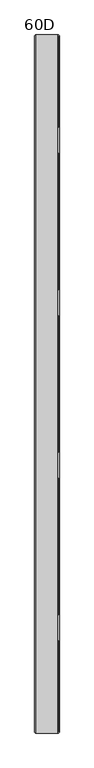
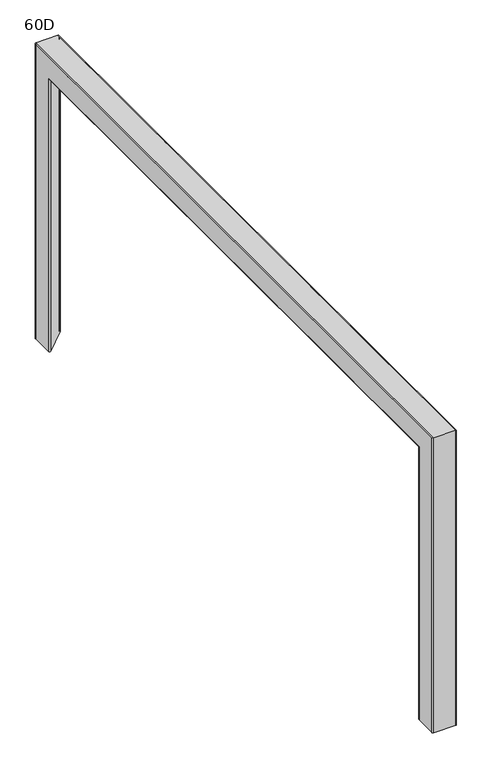
"""IFC4 building model written with IfcOpenShell, lengths in millimetres: furniture geometry, 60D."""

from ifc_helpers import new_model, si_unit, frame, origin, place, context, project, spatial, polyline, circle_curve, ellipse_curve, source, transform, mapped, element, save
from ifc_brep_helpers import plane_surface, cylinder_surface, revolved_surface, advanced_brep


def furniture_60d_dfab2e83(model_context):
    return source(origin(), model_context, "Body", "AdvancedBrep", [
        advanced_brep(
        [(-26.5, -701.2590518, 11.0), (-21.926821, -699.364779, 11.0), (25.721221, -747.012821, 11.0), (23.8269482, -751.586, 11.0), (-23.8210938, -751.586, 11.0), (-26.5, -748.9070938, 11.0), (-24.515625, -701.2590518, 11.0), (-24.515625, -748.9070938, 11.0), (-23.8210938, -749.601625, 11.0), (23.8269482, -749.601625, 11.0), (24.318056, -748.415986, 11.0), (-23.329986, -700.767944, 11.0), (-26.5, -701.2590518, 641.8230518), (-21.926821, -699.364779, 639.928779), (25.721221, -747.012821, 687.576821), (23.8269482, -751.586, 692.15), (-23.8210938, -751.586, 692.15), (-26.5, -748.9070938, 689.4710937), (-26.5, 748.9070937, 689.4710937), (-26.5, 748.9070937, 11.0), (-26.5, 701.2590518, 11.0), (-26.5, 701.2590518, 641.8230518), (-24.515625, -701.2590518, 641.8230518), (-24.515625, 701.2590518, 641.8230518), (-24.515625, 701.2590518, 11.0), (-24.515625, 748.9070937, 11.0), (-24.515625, 748.9070937, 689.4710937), (-24.515625, -748.9070938, 689.4710937), (-23.8210938, -749.601625, 690.165625), (23.8269482, -749.601625, 690.165625), (24.318056, -748.415986, 688.979986), (-23.329986, -700.767944, 641.331944), (-21.926821, 699.364779, 639.928779), (25.721221, 747.012821, 687.576821), (25.721221, 552.7456, 687.576821), (-13.9672583, 552.7456, 647.8883417), (-15.9118019, 552.0087397, 645.9437981), (-17.3353067, 549.9956, 644.5202933), (-17.8563456, 547.2456, 643.9992544), (-17.8563456, 502.7456, 643.9992544), (-17.3353067, 499.9956, 644.5202933), (-15.9118019, 497.9824603, 645.9437981), (-13.9672583, 497.2456, 647.8883417), (25.721221, 497.2456, 687.576821), (25.721221, 202.75, 687.576821), (-13.9672583, 202.75, 647.8883417), (-15.9118019, 202.0131397, 645.9437981), (-17.3353067, 200.0, 644.5202933), (-17.8563456, 197.25, 643.9992544), (-17.8563456, 152.75, 643.9992544), (-17.3353067, 150.0, 644.5202933), (-15.9118019, 147.9868603, 645.9437981), (-13.9672583, 147.25, 647.8883417), (25.721221, 147.25, 687.576821), (25.721221, -147.25, 687.576821), (-13.9672583, -147.25, 647.8883417), (-15.9118019, -147.9868603, 645.9437981), (-17.3353067, -150.0, 644.5202933), (-17.8563456, -152.75, 643.9992544), (-17.8563456, -197.25, 643.9992544), (-17.3353067, -200.0, 644.5202933), (-15.9118019, -202.0131397, 645.9437981), (-14.6269979, -202.5, 647.2286021), (25.721221, -202.5, 687.576821), (25.721221, -497.2456, 687.576821), (-13.9672583, -497.2456, 647.8883417), (-15.9118019, -497.9824603, 645.9437981), (-17.3353067, -499.9956, 644.5202933), (-17.8563456, -502.7456, 643.9992544), (-17.8563456, -547.2456, 643.9992544), (-17.3353067, -549.9956, 644.5202933), (-15.9118019, -552.0087397, 645.9437981), (-13.9672583, -552.7456, 647.8883417), (25.721221, -552.7456, 687.576821), (26.4615873, -552.7456, 689.9560841), (26.4615873, -497.2456, 689.9560841), (26.4680571, -202.5, 689.9195159), (26.4680571, -147.25, 689.9195159), (26.4680571, 147.25, 689.9195159), (26.4680571, 202.75, 689.9195159), (26.4680571, 497.2456, 689.9195159), (26.4680571, 552.7456, 689.9195159), (23.8269482, 751.586, 692.15), (-23.8210938, 751.586, 692.15), (-23.8210938, 749.601625, 690.165625), (23.8269482, 749.601625, 690.165625), (24.318056, 748.415986, 688.979986), (24.318056, 552.7456, 688.979986), (24.3573171, 552.7456, 689.9195159), (24.3573171, 497.2456, 689.9195159), (24.318056, 497.2456, 688.979986), (24.318056, 202.75, 688.979986), (24.3573171, 202.75, 689.9195159), (24.3573171, 147.25, 689.9195159), (24.318056, 147.25, 688.979986), (24.318056, -147.25, 688.979986), (24.3573171, -147.25, 689.9195159), (24.3573171, -202.5, 689.9195159), (24.318056, -202.5, 688.979986), (24.318056, -497.2456, 688.979986), (24.3240981, -497.2456, 689.9560841), (24.3240981, -552.7456, 689.9560841), (24.318056, -552.7456, 688.979986), (-16.7735883, -552.7456, 647.8883417), (-18.718132, -552.0087397, 645.9437981), (-20.1416367, -549.9956, 644.5202933), (-20.6626756, -547.2456, 643.9992544), (-20.6626756, -502.7456, 643.9992544), (-20.1416367, -499.9956, 644.5202933), (-18.718132, -497.9824603, 645.9437981), (-16.7735883, -497.2456, 647.8883417), (-17.4333279, -202.5, 647.2286021), (-18.718132, -202.0131397, 645.9437981), (-20.1416367, -200.0, 644.5202933), (-20.6626756, -197.25, 643.9992544), (-20.6626756, -152.75, 643.9992544), (-20.1416367, -150.0, 644.5202933), (-18.718132, -147.9868603, 645.9437981), (-16.7735883, -147.25, 647.8883417), (-16.7735883, 147.25, 647.8883417), (-18.718132, 147.9868603, 645.9437981), (-20.1416367, 150.0, 644.5202933), (-20.6626756, 152.75, 643.9992544), (-20.6626756, 197.25, 643.9992544), (-20.1416367, 200.0, 644.5202933), (-18.718132, 202.0131397, 645.9437981), (-16.7735883, 202.75, 647.8883417), (-16.7735883, 497.2456, 647.8883417), (-18.718132, 497.9824603, 645.9437981), (-20.1416367, 499.9956, 644.5202933), (-20.6626756, 502.7456, 643.9992544), (-20.6626756, 547.2456, 643.9992544), (-20.1416367, 549.9956, 644.5202933), (-18.718132, 552.0087397, 645.9437981), (-16.7735883, 552.7456, 647.8883417), (-23.329986, 700.767944, 641.331944), (-23.8210938, 751.586, 11.0), (23.8269482, 751.586, 11.0), (25.721221, 747.012821, 11.0), (-21.926821, 699.364779, 11.0), (-23.329986, 700.767944, 11.0), (24.318056, 748.415986, 11.0), (23.8269482, 749.601625, 11.0), (-23.8210938, 749.601625, 11.0)],
        [
            (0, 1, circle_curve(frame((-23.8210938, -701.2590518, 11.0), z_axis=(0.0, 0.0, -1.0), x_axis=(0.0, 1.0, 0.0)), 2.6789063)),
            (1, 2),
            (2, 3, circle_curve(frame((23.8269482, -748.9070938, 11.0), z_axis=(0.0, 0.0, -1.0), x_axis=(0.0, 1.0, 0.0)), 2.6789063)),
            (3, 4),
            (4, 5, circle_curve(frame((-23.8210938, -748.9070938, 11.0), z_axis=(0.0, 0.0, -1.0), x_axis=(0.0, 1.0, 0.0)), 2.6789063)),
            (5, 0),
            (6, 7),
            (7, 8, circle_curve(frame((-23.8210938, -748.9070938, 11.0), z_axis=(0.0, 0.0, 1.0), x_axis=(0.0, 1.0, 0.0)), 0.6945312)),
            (8, 9),
            (9, 10, circle_curve(frame((23.8269482, -748.9070938, 11.0), z_axis=(0.0, 0.0, 1.0), x_axis=(0.0, 1.0, 0.0)), 0.6945313)),
            (10, 11),
            (11, 6, circle_curve(frame((-23.8210938, -701.2590518, 11.0), z_axis=(0.0, 0.0, 1.0), x_axis=(0.0, 1.0, 0.0)), 0.6945312)),
            (0, 12),
            (12, 13, ellipse_curve(frame((-23.8210938, -701.2590518, 641.8230518), z_axis=(0.0, -0.7071067811865475, -0.7071067811865475), x_axis=(0.0, 0.7071067811865474, -0.7071067811865476)), 3.7885456, 2.6789063)),
            (13, 1),
            (13, 14),
            (14, 2),
            (14, 15, ellipse_curve(frame((23.8269482, -748.9070938, 689.4710937), z_axis=(0.0, -0.7071067811865475, -0.7071067811865475), x_axis=(0.0, 0.7071067811865474, -0.7071067811865476)), 3.7885456, 2.6789063)),
            (15, 3),
            (15, 16),
            (16, 4),
            (16, 17, ellipse_curve(frame((-23.8210938, -748.9070938, 689.4710937), z_axis=(0.0, -0.7071067811865475, -0.7071067811865475), x_axis=(0.0, 0.7071067811865474, -0.7071067811865476)), 3.7885456, 2.6789063)),
            (17, 5),
            (17, 18),
            (18, 19),
            (19, 20),
            (20, 21),
            (21, 12),
            (6, 22),
            (22, 23),
            (23, 24),
            (24, 25),
            (25, 26),
            (26, 27),
            (27, 7),
            (27, 28, ellipse_curve(frame((-23.8210938, -748.9070938, 689.4710937), z_axis=(0.0, 0.7071067811865475, 0.7071067811865475), x_axis=(0.0, -0.7071067811865474, 0.7071067811865476)), 0.9822155, 0.6945312)),
            (28, 8),
            (28, 29),
            (29, 9),
            (29, 30, ellipse_curve(frame((23.8269482, -748.9070938, 689.4710937), z_axis=(0.0, 0.7071067811865475, 0.7071067811865475), x_axis=(0.0, -0.7071067811865474, 0.7071067811865476)), 0.9822155, 0.6945312)),
            (30, 10),
            (30, 31),
            (31, 11),
            (31, 22, ellipse_curve(frame((-23.8210938, -701.2590518, 641.8230518), z_axis=(0.0, 0.7071067811865475, 0.7071067811865475), x_axis=(0.0, -0.7071067811865474, 0.7071067811865476)), 0.9822155, 0.6945312)),
            (21, 32, ellipse_curve(frame((-23.8210938, 701.2590518, 641.8230518), z_axis=(0.0, -0.7071067811865475, 0.7071067811865475), x_axis=(0.0, -0.7071067811865476, -0.7071067811865474)), 3.7885456, 2.6789063)),
            (32, 13),
            (32, 33),
            (33, 34),
            (34, 35),
            (35, 36),
            (36, 37),
            (37, 38),
            (38, 39),
            (39, 40),
            (40, 41),
            (41, 42),
            (42, 43),
            (43, 44),
            (44, 45),
            (45, 46),
            (46, 47),
            (47, 48),
            (48, 49),
            (49, 50),
            (50, 51),
            (51, 52),
            (52, 53),
            (53, 54),
            (54, 55),
            (55, 56),
            (56, 57),
            (57, 58),
            (58, 59),
            (59, 60),
            (60, 61),
            (61, 62),
            (62, 63),
            (63, 64),
            (64, 65),
            (65, 66),
            (66, 67),
            (67, 68),
            (68, 69),
            (69, 70),
            (70, 71),
            (71, 72),
            (72, 73),
            (73, 14),
            (73, 74, circle_curve(frame((23.8269482, -552.7456, 689.4710937), z_axis=(0.0, -1.0, 0.0), x_axis=(0.0, 0.0, -1.0)), 2.6789063)),
            (74, 75),
            (75, 64, circle_curve(frame((23.8269482, -497.2456, 689.4710937), z_axis=(0.0, 1.0, 0.0), x_axis=(0.0, 0.0, -1.0)), 2.6789063)),
            (63, 76, circle_curve(frame((23.8269482, -202.5, 689.4710937), z_axis=(0.0, -1.0, 0.0), x_axis=(0.0, 0.0, -1.0)), 2.6789063)),
            (76, 77),
            (77, 54, circle_curve(frame((23.8269482, -147.25, 689.4710937), z_axis=(0.0, 1.0, 0.0), x_axis=(0.0, 0.0, -1.0)), 2.6789063)),
            (53, 78, circle_curve(frame((23.8269482, 147.25, 689.4710937), z_axis=(0.0, -1.0, 0.0), x_axis=(0.0, 0.0, -1.0)), 2.6789063)),
            (78, 79),
            (79, 44, circle_curve(frame((23.8269482, 202.75, 689.4710937), z_axis=(0.0, 1.0, 0.0), x_axis=(0.0, 0.0, -1.0)), 2.6789063)),
            (43, 80, circle_curve(frame((23.8269482, 497.2456, 689.4710937), z_axis=(0.0, -1.0, 0.0), x_axis=(0.0, 0.0, -1.0)), 2.6789063)),
            (80, 81),
            (81, 34, circle_curve(frame((23.8269482, 552.7456, 689.4710937), z_axis=(0.0, 1.0, 0.0), x_axis=(0.0, 0.0, -1.0)), 2.6789062)),
            (33, 82, ellipse_curve(frame((23.8269482, 748.9070937, 689.4710937), z_axis=(0.0, -0.7071067811865475, 0.7071067811865475), x_axis=(0.0, -0.7071067811865476, -0.7071067811865474)), 3.7885456, 2.6789063)),
            (82, 15),
            (82, 83),
            (83, 16),
            (83, 18, ellipse_curve(frame((-23.8210938, 748.9070937, 689.4710937), z_axis=(0.0, -0.7071067811865475, 0.7071067811865475), x_axis=(0.0, -0.7071067811865476, -0.7071067811865474)), 3.7885456, 2.6789063)),
            (26, 84, ellipse_curve(frame((-23.8210938, 748.9070937, 689.4710937), z_axis=(0.0, 0.7071067811865475, -0.7071067811865475), x_axis=(0.0, 0.7071067811865476, 0.7071067811865474)), 0.9822155, 0.6945312)),
            (84, 28),
            (84, 85),
            (85, 29),
            (85, 86, ellipse_curve(frame((23.8269482, 748.9070937, 689.4710937), z_axis=(0.0, 0.7071067811865475, -0.7071067811865475), x_axis=(0.0, 0.7071067811865476, 0.7071067811865474)), 0.9822155, 0.6945312)),
            (86, 87),
            (87, 88, circle_curve(frame((23.8269482, 552.7456, 689.4710937), z_axis=(0.0, -1.0, 0.0), x_axis=(0.0, 0.0, -1.0)), 0.6945312)),
            (88, 89),
            (89, 90, circle_curve(frame((23.8269482, 497.2456, 689.4710937), z_axis=(0.0, 1.0, 0.0), x_axis=(0.0, 0.0, -1.0)), 0.6945312)),
            (90, 91),
            (91, 92, circle_curve(frame((23.8269482, 202.75, 689.4710937), z_axis=(0.0, -1.0, 0.0), x_axis=(0.0, 0.0, -1.0)), 0.6945312)),
            (92, 93),
            (93, 94, circle_curve(frame((23.8269482, 147.25, 689.4710937), z_axis=(0.0, 1.0, 0.0), x_axis=(0.0, 0.0, -1.0)), 0.6945312)),
            (94, 95),
            (95, 96, circle_curve(frame((23.8269482, -147.25, 689.4710937), z_axis=(0.0, -1.0, 0.0), x_axis=(0.0, 0.0, -1.0)), 0.6945312)),
            (96, 97),
            (97, 98, circle_curve(frame((23.8269482, -202.5, 689.4710937), z_axis=(0.0, 1.0, 0.0), x_axis=(0.0, 0.0, -1.0)), 0.6945312)),
            (98, 99),
            (99, 100, circle_curve(frame((23.8269482, -497.2456, 689.4710937), z_axis=(0.0, -1.0, 0.0), x_axis=(0.0, 0.0, -1.0)), 0.6945312)),
            (100, 101),
            (101, 102, circle_curve(frame((23.8269482, -552.7456, 689.4710937), z_axis=(0.0, 1.0, 0.0), x_axis=(0.0, 0.0, -1.0)), 0.6945313)),
            (102, 30),
            (102, 103),
            (103, 104),
            (104, 105),
            (105, 106),
            (106, 107),
            (107, 108),
            (108, 109),
            (109, 110),
            (110, 99),
            (98, 111),
            (111, 112),
            (112, 113),
            (113, 114),
            (114, 115),
            (115, 116),
            (116, 117),
            (117, 118),
            (118, 95),
            (94, 119),
            (119, 120),
            (120, 121),
            (121, 122),
            (122, 123),
            (123, 124),
            (124, 125),
            (125, 126),
            (126, 91),
            (90, 127),
            (127, 128),
            (128, 129),
            (129, 130),
            (130, 131),
            (131, 132),
            (132, 133),
            (133, 134),
            (134, 87),
            (86, 135),
            (135, 31),
            (135, 23, ellipse_curve(frame((-23.8210938, 701.2590518, 641.8230518), z_axis=(0.0, 0.7071067811865475, -0.7071067811865475), x_axis=(0.0, 0.7071067811865476, 0.7071067811865474)), 0.9822155, 0.6945312)),
            (19, 136, circle_curve(frame((-23.8210938, 748.9070937, 11.0), z_axis=(0.0, 0.0, -1.0), x_axis=(0.0, -1.0, 0.0)), 2.6789063)),
            (136, 137),
            (137, 138, circle_curve(frame((23.8269482, 748.9070937, 11.0), z_axis=(0.0, 0.0, -1.0), x_axis=(0.0, -1.0, 0.0)), 2.6789063)),
            (138, 139),
            (139, 20, circle_curve(frame((-23.8210938, 701.2590518, 11.0), z_axis=(0.0, 0.0, -1.0), x_axis=(0.0, -1.0, 0.0)), 2.6789063)),
            (24, 140, circle_curve(frame((-23.8210938, 701.2590518, 11.0), z_axis=(0.0, 0.0, 1.0), x_axis=(0.0, -1.0, 0.0)), 0.6945312)),
            (140, 141),
            (141, 142, circle_curve(frame((23.8269482, 748.9070937, 11.0), z_axis=(0.0, 0.0, 1.0), x_axis=(0.0, -1.0, 0.0)), 0.6945312)),
            (142, 143),
            (143, 25, circle_curve(frame((-23.8210938, 748.9070937, 11.0), z_axis=(0.0, 0.0, 1.0), x_axis=(0.0, -1.0, 0.0)), 0.6945313)),
            (139, 32),
            (138, 33),
            (137, 82),
            (136, 83),
            (143, 84),
            (142, 85),
            (141, 86),
            (140, 135),
            (103, 72),
            (71, 104),
            (70, 105),
            (69, 106),
            (68, 107),
            (67, 108),
            (66, 109),
            (65, 110),
            (75, 100),
            (74, 101),
            (133, 36),
            (35, 134),
            (132, 37),
            (131, 38),
            (130, 39),
            (129, 40),
            (128, 41),
            (127, 42),
            (89, 80),
            (88, 81),
            (125, 46),
            (45, 126),
            (124, 47),
            (123, 48),
            (122, 49),
            (121, 50),
            (120, 51),
            (119, 52),
            (93, 78),
            (92, 79),
            (117, 56),
            (55, 118),
            (116, 57),
            (115, 58),
            (114, 59),
            (113, 60),
            (112, 61),
            (111, 62),
            (97, 76),
            (96, 77),
        ],
        [
            plane_surface(frame((0.0, -751.586, 11.0), z_axis=(0.0, 0.0, -1.0), x_axis=(1.0, 0.0, 0.0))),
            cylinder_surface(frame((-23.8210938, -701.2590518, 11.0), z_axis=(0.0, 0.0, -1.0), x_axis=(0.0, 1.0, 0.0)), 2.6789063),
            plane_surface(frame((-21.926821, -699.364779, 11.0), z_axis=(0.7071067811865482, 0.7071067811865469, 0.0), x_axis=(0.0, 0.0, 1.0))),
            cylinder_surface(frame((23.8269482, -748.9070938, 11.0), z_axis=(0.0, 0.0, -1.0), x_axis=(0.0, 1.0, 0.0)), 2.6789063),
            plane_surface(frame((23.8269482, -751.586, 11.0), z_axis=(0.0, -1.0, 0.0), x_axis=(0.0, 0.0, 1.0))),
            cylinder_surface(frame((-23.8210938, -748.9070938, 11.0), z_axis=(0.0, 0.0, -1.0), x_axis=(0.0, 1.0, 0.0)), 2.6789063),
            plane_surface(frame((-26.5, -748.9070938, 11.0), z_axis=(-1.0, 0.0, 0.0), x_axis=(0.0, 0.0, 1.0))),
            plane_surface(frame((-24.515625, -701.2590518, 11.0), z_axis=(1.0, 0.0, 0.0), x_axis=(0.0, 0.0, 1.0))),
            revolved_surface(polyline([(-23.8210938, -748.2125626, 690.165625), (-23.8210938, -748.2125626, 11.0)]), (-23.8210938, -748.9070938, 11.0), (0.0, 0.0, 1.0)),
            plane_surface(frame((-23.8210938, -749.601625, 11.0), z_axis=(0.0, 1.0, 0.0), x_axis=(0.0, 0.0, 1.0))),
            revolved_surface(polyline([(23.8269482, -748.2125626, 690.165625), (23.8269482, -748.2125626, 11.0)]), (23.8269482, -748.9070938, 11.0), (0.0, 0.0, 1.0)),
            plane_surface(frame((24.318056, -748.415986, 11.0), z_axis=(-0.7071067811865481, -0.7071067811865469, 0.0), x_axis=(0.0, 0.0, 1.0))),
            revolved_surface(polyline([(-23.8210938, -700.5645205999999, 642.5175830406365), (-23.8210938, -700.5645205999999, 11.0)]), (-23.8210938, -701.2590518, 11.0), (0.0, 0.0, 1.0)),
            cylinder_surface(frame((-23.8210938, -751.586, 641.8230518), z_axis=(0.0, -1.0, 0.0), x_axis=(0.0, 0.0, -1.0)), 2.6789063),
            plane_surface(frame((-21.926821, -699.364779, 639.928779), z_axis=(0.707106781186541, 0.0, -0.7071067811865541), x_axis=(0.0, 1.0, 0.0))),
            cylinder_surface(frame((23.8269482, -751.586, 689.4710937), z_axis=(0.0, -1.0, 0.0), x_axis=(0.0, 0.0, -1.0)), 2.6789063),
            plane_surface(frame((23.8269482, -751.586, 692.15), z_axis=(0.0, 0.0, 1.0), x_axis=(0.0, 1.0, 0.0))),
            cylinder_surface(frame((-23.8210938, -751.586, 689.4710937), z_axis=(0.0, -1.0, 0.0), x_axis=(0.0, 0.0, -1.0)), 2.6789063),
            revolved_surface(polyline([(-23.8210938, 749.601625, 688.7765625), (-23.8210938, -749.6016250406365, 688.7765625)]), (-23.8210938, -751.586, 689.4710937), (0.0, 1.0, 0.0)),
            plane_surface(frame((-23.8210938, -749.601625, 690.165625), z_axis=(0.0, 0.0, -1.0), x_axis=(0.0, 1.0, 0.0))),
            revolved_surface(polyline([(23.8269482, 749.601625, 688.7765625), (23.8269482, -749.6016250406365, 688.7765625)]), (23.8269482, -751.586, 689.4710937), (0.0, 1.0, 0.0)),
            plane_surface(frame((24.318056, -748.415986, 688.979986), z_axis=(-0.7071067811865409, 0.0, 0.7071067811865541), x_axis=(0.0, 1.0, 0.0))),
            revolved_surface(polyline([(-23.8210938, 701.9535830406364, 641.1285206), (-23.8210938, -701.9535830406364, 641.1285206)]), (-23.8210938, -751.586, 641.8230518), (0.0, 1.0, 0.0)),
            plane_surface(frame((0.0, 751.586, 11.0), z_axis=(0.0, 0.0, -1.0), x_axis=(1.0, 0.0, 0.0))),
            cylinder_surface(frame((-23.8210938, 701.2590518, 692.15), z_axis=(0.0, 0.0, 1.0), x_axis=(0.0, -1.0, 0.0)), 2.6789063),
            plane_surface(frame((-21.926821, 699.364779, 639.928779), z_axis=(0.7071067811865482, -0.7071067811865469, 0.0), x_axis=(0.0, 0.0, -1.0))),
            cylinder_surface(frame((23.8269482, 748.9070937, 692.15), z_axis=(0.0, 0.0, 1.0), x_axis=(0.0, -1.0, 0.0)), 2.6789063),
            plane_surface(frame((23.8269482, 751.586, 692.15), z_axis=(0.0, 1.0, 0.0), x_axis=(0.0, 0.0, -1.0))),
            cylinder_surface(frame((-23.8210938, 748.9070937, 692.15), z_axis=(0.0, 0.0, 1.0), x_axis=(0.0, -1.0, 0.0)), 2.6789063),
            revolved_surface(polyline([(-23.8210938, 748.2125625, 11.0), (-23.8210938, 748.2125625, 690.165625)]), (-23.8210938, 748.9070937, 692.15), (0.0, 0.0, -1.0)),
            plane_surface(frame((-23.8210938, 749.601625, 690.165625), z_axis=(0.0, -1.0, 0.0), x_axis=(0.0, 0.0, -1.0))),
            revolved_surface(polyline([(23.8269482, 748.2125625, 11.0), (23.8269482, 748.2125625, 690.165625)]), (23.8269482, 748.9070937, 692.15), (0.0, 0.0, -1.0)),
            plane_surface(frame((24.318056, 748.415986, 688.979986), z_axis=(-0.7071067811865481, 0.7071067811865469, 0.0), x_axis=(0.0, 0.0, -1.0))),
            revolved_surface(polyline([(-23.8210938, 700.5645205999999, 11.0), (-23.8210938, 700.5645205999999, 642.5175830406365)]), (-23.8210938, 701.2590518, 692.15), (0.0, 0.0, -1.0)),
            plane_surface(frame((33.5689022, -552.7456, 647.8883417), z_axis=(0.0, 0.9351131265324778, 0.3543493200030927), x_axis=(-1.0, 0.0, 0.0))),
            plane_surface(frame((33.5689022, -552.0087397, 645.9437981), z_axis=(0.0, 0.577350269189627, 0.8164965809277253), x_axis=(-1.0, 0.0, 0.0))),
            plane_surface(frame((33.5689022, -549.9956, 644.5202933), z_axis=(0.0, 0.18615678789531614, 0.98252005084909), x_axis=(-1.0, 0.0, 0.0))),
            plane_surface(frame((33.5689022, -547.2456, 643.9992544), z_axis=(0.0, 0.0, 1.0), x_axis=(-1.0, 0.0, 0.0))),
            plane_surface(frame((33.5689022, -502.7456, 643.9992544), z_axis=(0.0, -0.18615678789780815, 0.9825200508486179), x_axis=(-1.0, 0.0, 0.0))),
            plane_surface(frame((33.5689022, -499.9956, 644.5202933), z_axis=(0.0, -0.5773502691876026, 0.8164965809291568), x_axis=(-1.0, 0.0, 0.0))),
            plane_surface(frame((33.5689022, -497.9824603, 645.9437981), z_axis=(0.0, -0.9351131265298555, 0.3543493200100129), x_axis=(-1.0, 0.0, 0.0))),
            plane_surface(frame((33.5689022, -497.2456, 647.8883417), z_axis=(0.0, -1.0, 0.0), x_axis=(-1.0, 0.0, 0.0))),
            plane_surface(frame((33.5689022, -497.2456, 689.9560841), z_axis=(0.0, 0.0, -1.0), x_axis=(-1.0, 0.0, 0.0))),
            plane_surface(frame((33.5689022, -552.7456, 689.9560841), z_axis=(0.0, 1.0, 0.0), x_axis=(-1.0, 0.0, 0.0))),
            plane_surface(frame((33.5689022, 552.0087397, 645.9437981), z_axis=(0.0, -0.9351131265310265, 0.3543493200069228), x_axis=(-1.0, 0.0, 0.0))),
            plane_surface(frame((33.5689022, 549.9956, 644.5202933), z_axis=(0.0, -0.5773502691896163, 0.8164965809277328), x_axis=(-1.0, 0.0, 0.0))),
            plane_surface(frame((33.5689022, 547.2456, 643.9992544), z_axis=(0.0, -0.186156787895354, 0.9825200508490828), x_axis=(-1.0, 0.0, 0.0))),
            plane_surface(frame((33.5689022, 502.7456, 643.9992544), z_axis=(0.0, 0.0, 1.0), x_axis=(-1.0, 0.0, 0.0))),
            plane_surface(frame((33.5689022, 499.9956, 644.5202933), z_axis=(0.0, 0.1861567878975295, 0.9825200508486707), x_axis=(-1.0, 0.0, 0.0))),
            plane_surface(frame((33.5689022, 497.9824603, 645.9437981), z_axis=(0.0, 0.5773502691875767, 0.816496580929175), x_axis=(-1.0, 0.0, 0.0))),
            plane_surface(frame((33.5689022, 497.2456, 647.8883417), z_axis=(0.0, 0.9351131265311206, 0.3543493200066744), x_axis=(-1.0, 0.0, 0.0))),
            plane_surface(frame((33.5689022, 497.2456, 689.9195159), z_axis=(0.0, 1.0, 0.0), x_axis=(-1.0, 0.0, 0.0))),
            plane_surface(frame((33.5689022, 552.7456, 689.9195159), z_axis=(0.0, 0.0, -1.0), x_axis=(-1.0, 0.0, 0.0))),
            plane_surface(frame((33.5689022, 552.7456, 647.8883417), z_axis=(0.0, -1.0, 0.0), x_axis=(-1.0, 0.0, 0.0))),
            plane_surface(frame((33.5689022, 202.0131397, 645.9437981), z_axis=(0.0, -0.9351131265325248, 0.3543493200029688), x_axis=(-1.0, 0.0, 0.0))),
            plane_surface(frame((33.5689022, 200.0, 644.5202933), z_axis=(0.0, -0.577350269189627, 0.8164965809277253), x_axis=(-1.0, 0.0, 0.0))),
            plane_surface(frame((33.5689022, 197.25, 643.9992544), z_axis=(0.0, -0.18615678789531614, 0.98252005084909), x_axis=(-1.0, 0.0, 0.0))),
            plane_surface(frame((33.5689022, 152.75, 643.9992544), z_axis=(0.0, 0.0, 1.0), x_axis=(-1.0, 0.0, 0.0))),
            plane_surface(frame((33.5689022, 150.0, 644.5202933), z_axis=(0.0, 0.18615678789753395, 0.9825200508486698), x_axis=(-1.0, 0.0, 0.0))),
            plane_surface(frame((33.5689022, 147.9868603, 645.9437981), z_axis=(0.0, 0.5773502691875897, 0.8164965809291659), x_axis=(-1.0, 0.0, 0.0))),
            plane_surface(frame((33.5689022, 147.25, 647.8883417), z_axis=(0.0, 0.9351131265295036, 0.35434932001094166), x_axis=(-1.0, 0.0, 0.0))),
            plane_surface(frame((33.5689022, 147.25, 689.9195159), z_axis=(0.0, 1.0, 0.0), x_axis=(-1.0, 0.0, 0.0))),
            plane_surface(frame((33.5689022, 202.75, 689.9195159), z_axis=(0.0, 0.0, -1.0), x_axis=(-1.0, 0.0, 0.0))),
            plane_surface(frame((33.5689022, 202.75, 647.8883417), z_axis=(0.0, -1.0, 0.0), x_axis=(-1.0, 0.0, 0.0))),
            plane_surface(frame((33.5689022, -147.9868603, 645.9437981), z_axis=(0.0, -0.9351131265325248, 0.3543493200029688), x_axis=(-1.0, 0.0, 0.0))),
            plane_surface(frame((33.5689022, -150.0, 644.5202933), z_axis=(0.0, -0.5773502691896464, 0.8164965809277115), x_axis=(-1.0, 0.0, 0.0))),
            plane_surface(frame((33.5689022, -152.75, 643.9992544), z_axis=(0.0, -0.18615678789536286, 0.9825200508490811), x_axis=(-1.0, 0.0, 0.0))),
            plane_surface(frame((33.5689022, -197.25, 643.9992544), z_axis=(0.0, 0.0, 1.0), x_axis=(-1.0, 0.0, 0.0))),
            plane_surface(frame((33.5689022, -200.0, 644.5202933), z_axis=(0.0, 0.18615678789748502, 0.982520050848679), x_axis=(-1.0, 0.0, 0.0))),
            plane_surface(frame((33.5689022, -202.0131397, 645.9437981), z_axis=(0.0, 0.5773502691876823, 0.8164965809291004), x_axis=(-1.0, 0.0, 0.0))),
            plane_surface(frame((33.5689022, -202.5, 647.2286021), z_axis=(0.0, 0.9351131265286607, 0.3543493200131656), x_axis=(-1.0, 0.0, 0.0))),
            plane_surface(frame((33.5689022, -202.5, 689.9195159), z_axis=(0.0, 1.0, 0.0), x_axis=(-1.0, 0.0, 0.0))),
            plane_surface(frame((33.5689022, -147.25, 689.9195159), z_axis=(0.0, 0.0, -1.0), x_axis=(-1.0, 0.0, 0.0))),
            plane_surface(frame((33.5689022, -147.25, 647.8883417), z_axis=(0.0, -1.0, 0.0), x_axis=(-1.0, 0.0, 0.0))),
        ],
        [
            (0, [[1, 2, 3, 4, 5, 6], [7, 8, 9, 10, 11, 12]]),
            (1, [[-1, 13, 14, 15]]),
            (2, [[-2, -15, 16, 17]]),
            (3, [[-3, -17, 18, 19]]),
            (4, [[-4, -19, 20, 21]]),
            (5, [[-5, -21, 22, 23]]),
            (6, [[-6, -23, 24, 25, 26, 27, 28, -13]]),
            (7, [[-7, 29, 30, 31, 32, 33, 34, 35]]),
            (8, [[-8, -35, 36, 37]]),
            (9, [[-9, -37, 38, 39]]),
            (10, [[-10, -39, 40, 41]]),
            (11, [[-11, -41, 42, 43]]),
            (12, [[-12, -43, 44, -29]]),
            (13, [[-14, -28, 45, 46]]),
            (14, [[-16, -46, 47, 48, 49, 50, 51, 52, 53, 54, 55, 56, 57, 58, 59, 60, 61, 62, 63, 64, 65, 66, 67, 68, 69, 70, 71, 72, 73, 74, 75, 76, 77, 78, 79, 80, 81, 82, 83, 84, 85, 86, 87, 88]]),
            (15, [[-18, -88, 89, 90, 91, -78, 92, 93, 94, -68, 95, 96, 97, -58, 98, 99, 100, -48, 101, 102]]),
            (16, [[-20, -102, 103, 104]]),
            (17, [[-22, -104, 105, -24]]),
            (18, [[-34, 106, 107, -36]]),
            (19, [[-38, -107, 108, 109]]),
            (20, [[-40, -109, 110, 111, 112, 113, 114, 115, 116, 117, 118, 119, 120, 121, 122, 123, 124, 125, 126, 127]]),
            (21, [[-42, -127, 128, 129, 130, 131, 132, 133, 134, 135, 136, -123, 137, 138, 139, 140, 141, 142, 143, 144, 145, -119, 146, 147, 148, 149, 150, 151, 152, 153, 154, -115, 155, 156, 157, 158, 159, 160, 161, 162, 163, -111, 164, 165]]),
            (22, [[-30, -44, -165, 166]]),
            (23, [[-26, 167, 168, 169, 170, 171], [-32, 172, 173, 174, 175, 176]]),
            (24, [[-27, -171, 177, -45]]),
            (25, [[-47, -177, -170, 178]]),
            (26, [[-101, -178, -169, 179]]),
            (27, [[-103, -179, -168, 180]]),
            (28, [[-25, -105, -180, -167]]),
            (29, [[-33, -176, 181, -106]]),
            (30, [[-108, -181, -175, 182]]),
            (31, [[-110, -182, -174, 183]]),
            (32, [[-164, -183, -173, 184]]),
            (33, [[-31, -166, -184, -172]]),
            (34, [[185, -86, 186, -129]]),
            (35, [[-186, -85, 187, -130]]),
            (36, [[-187, -84, 188, -131]]),
            (37, [[-188, -83, 189, -132]]),
            (38, [[-189, -82, 190, -133]]),
            (39, [[-190, -81, 191, -134]]),
            (40, [[-191, -80, 192, -135]]),
            (41, [[-192, -79, -91, 193, -124, -136]]),
            (42, [[-193, -90, 194, -125]]),
            (43, [[-185, -128, -126, -194, -89, -87]]),
            (44, [[195, -50, 196, -162]]),
            (45, [[-195, -161, 197, -51]]),
            (46, [[-197, -160, 198, -52]]),
            (47, [[-198, -159, 199, -53]]),
            (48, [[-199, -158, 200, -54]]),
            (49, [[-200, -157, 201, -55]]),
            (50, [[-201, -156, 202, -56]]),
            (51, [[-202, -155, -114, 203, -98, -57]]),
            (52, [[-203, -113, 204, -99]]),
            (53, [[-204, -112, -163, -196, -49, -100]]),
            (54, [[205, -60, 206, -153]]),
            (55, [[-205, -152, 207, -61]]),
            (56, [[-207, -151, 208, -62]]),
            (57, [[-208, -150, 209, -63]]),
            (58, [[-209, -149, 210, -64]]),
            (59, [[-210, -148, 211, -65]]),
            (60, [[-211, -147, 212, -66]]),
            (61, [[-212, -146, -118, 213, -95, -67]]),
            (62, [[-213, -117, 214, -96]]),
            (63, [[-214, -116, -154, -206, -59, -97]]),
            (64, [[215, -70, 216, -144]]),
            (65, [[-215, -143, 217, -71]]),
            (66, [[-217, -142, 218, -72]]),
            (67, [[-218, -141, 219, -73]]),
            (68, [[-219, -140, 220, -74]]),
            (69, [[-220, -139, 221, -75]]),
            (70, [[-221, -138, 222, -76]]),
            (71, [[-222, -137, -122, 223, -92, -77]]),
            (72, [[-223, -121, 224, -93]]),
            (73, [[-224, -120, -145, -216, -69, -94]]),
        ],
    ),
    ])


if __name__ == "__main__":
    model = new_model("IFC4")
    model_context = context("Model", 3, world=origin())
    ifc_project = project(units=[si_unit("LENGTHUNIT", "METRE", prefix="MILLI")], contexts=[model_context])
    site = spatial("IfcSite", under=ifc_project)
    building = spatial("IfcBuilding", under=site)
    placement = place(None, origin())
    furniture_60d_shape = furniture_60d_dfab2e83(model_context)
    element("IfcFurniture", 1, ObjectType="60D", at=placement, inside=building, context=model_context, shape_type="MappedRepresentation", body=[
        mapped(furniture_60d_shape, transform((0.0, 0.0, 0.0), x_axis=(1.0, 0.0, 0.0), y_axis=(0.0, 1.0, 0.0), z_axis=(0.0, 0.0, 1.0))),
    ])
    save(model, "model.ifc")
